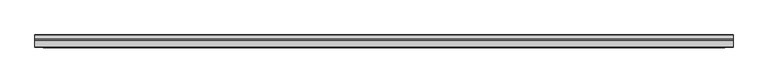
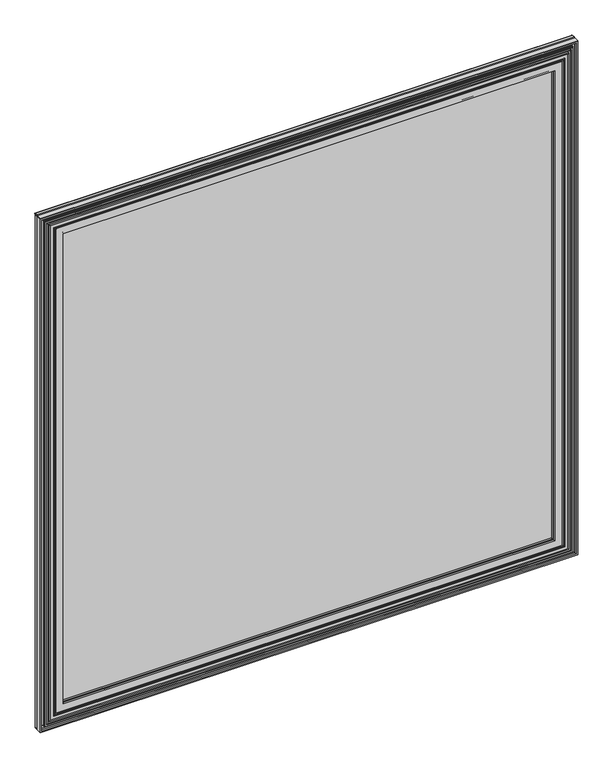
"""IFC4 building model written with IfcOpenShell, lengths in millimetres: proxy geometry."""

from ifc_helpers import new_model, si_unit, point, frame, frame_2d, origin, place, context, project, spatial, polyline, circle_curve, ellipse_curve, trimmed, segment, composite_curve, outline, extrude, source, transform, mapped, element, save
from ifc_brep_helpers import plane_surface, cylinder_surface, revolved_surface, advanced_brep


def specialty_equipment_6bc179ce(model_context):
    return source(origin(), model_context, "Body", "SolidModel", [
        advanced_brep(
        [(-600.7277862, 14.048841, 1152.652), (-600.7277862, 17.985841, 1152.652), (489.9752112, 17.985841, 1152.652), (489.9752112, 14.048841, 1152.652), (-601.9977862, 14.048841, 1153.922), (491.2452112, 14.048841, 1153.922), (-601.9977862, 15.064841, 1153.922), (491.2452112, 15.064841, 1153.922), (-603.7249862, 15.064841, 1155.6492), (492.9724112, 15.064841, 1155.6492), (-603.7249862, 8.841841, 1155.6492), (492.9724112, 8.841841, 1155.6492), (-601.9977862, 8.841841, 1153.922), (491.2452112, 8.841841, 1153.922), (-601.9977862, 9.857841, 1153.922), (491.2452112, 9.857841, 1153.922), (-600.7277862, 9.857841, 1152.652), (489.9752112, 9.857841, 1152.652), (-600.7277862, 6.555841, 1152.652), (489.9752112, 6.555841, 1152.652), (-618.9871314, 6.301841, 1170.9113452), (-617.1646705, 6.555841, 1169.0888843), (506.4120955, 6.555841, 1169.0888843), (508.2345564, 6.301841, 1170.9113452), (-620.6569985, 6.301841, 1172.5812124), (509.9044236, 6.301841, 1172.5812124), (-622.3909018, 6.555841, 1174.3151157), (511.6383268, 6.555841, 1174.3151157), (-631.9806514, 6.555841, 1183.9048653), (-629.5821862, 6.555841, 1181.5064), (518.8296112, 6.555841, 1181.5064), (521.2280764, 6.555841, 1183.9048653), (-637.1241514, 6.555841, 1189.0483653), (-635.6165209, 6.555841, 1187.5407347), (524.8639459, 6.555841, 1187.5407347), (526.3715764, 6.555841, 1189.0483653), (-640.7327862, 8.460841, 1192.657), (-640.7327862, 6.555841, 1192.657), (529.9802112, 6.555841, 1192.657), (529.9802112, 8.460841, 1192.657), (-642.0027862, 10.238841, 1193.927), (-642.0027862, 8.460841, 1193.927), (531.2502112, 8.460841, 1193.927), (531.2502112, 10.238841, 1193.927), (-640.7327862, 11.508841, 1192.657), (529.9802112, 11.508841, 1192.657), (-640.7327862, 13.337641, 1192.657), (529.9802112, 13.337641, 1192.657), (-643.0949862, 15.699841, 1195.0192), (532.3424112, 15.699841, 1195.0192), (-649.6227862, 11.534241, 1201.547), (-649.6227862, 15.699841, 1201.547), (538.8702112, 15.699841, 1201.547), (538.8702112, 11.534241, 1201.547), (-648.4797862, 10.391241, 1200.404), (537.7272112, 10.391241, 1200.404), (-648.4797862, 6.555841, 1200.404), (537.7272112, 6.555841, 1200.404), (-651.5277862, 17.985841, 1203.452), (-651.5277862, 6.555841, 1203.452), (540.7752112, 6.555841, 1203.452), (540.7752112, 17.985841, 1203.452), (489.9752112, 17.985841, 50.8), (489.9752112, 14.048841, 50.8), (491.2452112, 14.048841, 49.53), (491.2452112, 15.064841, 49.53), (492.9724112, 15.064841, 47.8028), (492.9724112, 8.841841, 47.8028), (491.2452112, 8.841841, 49.53), (491.2452112, 9.857841, 49.53), (489.9752112, 9.857841, 50.8), (489.9752112, 6.555841, 50.8), (506.4120955, 6.555841, 34.3631157), (508.2345564, 6.301841, 32.5406548), (509.9044236, 6.301841, 30.8707876), (511.6383268, 6.555841, 29.1368843), (518.8296112, 6.555841, 21.9456), (521.2280764, 6.555841, 19.5471347), (524.8639459, 6.555841, 15.9112653), (526.3715764, 6.555841, 14.4036347), (529.9802112, 6.555841, 10.795), (529.9802112, 8.460841, 10.795), (531.2502112, 8.460841, 9.525), (531.2502112, 10.238841, 9.525), (529.9802112, 11.508841, 10.795), (529.9802112, 13.337641, 10.795), (532.3424112, 15.699841, 8.4328), (538.8702112, 15.699841, 1.905), (538.8702112, 11.534241, 1.905), (537.7272112, 10.391241, 3.048), (537.7272112, 6.555841, 3.048), (540.7752112, 6.555841, 0.0), (540.7752112, 17.985841, 0.0), (-600.7277862, 17.985841, 50.8), (-600.7277862, 14.048841, 50.8), (-601.9977862, 14.048841, 49.53), (-601.9977862, 15.064841, 49.53), (-603.7249862, 15.064841, 47.8028), (-603.7249862, 8.841841, 47.8028), (-601.9977862, 8.841841, 49.53), (-601.9977862, 9.857841, 49.53), (-600.7277862, 9.857841, 50.8), (-600.7277862, 6.555841, 50.8), (-617.1646705, 6.555841, 34.3631157), (-618.9871314, 6.301841, 32.5406548), (-620.6569985, 6.301841, 30.8707876), (-622.3909018, 6.555841, 29.1368843), (-629.5821862, 6.555841, 21.9456), (-631.9806514, 6.555841, 19.5471347), (-635.6165209, 6.555841, 15.9112653), (-637.1241514, 6.555841, 14.4036347), (-640.7327862, 6.555841, 10.795), (-640.7327862, 8.460841, 10.795), (-642.0027862, 8.460841, 9.525), (-642.0027862, 10.238841, 9.525), (-640.7327862, 11.508841, 10.795), (-640.7327862, 13.337641, 10.795), (-643.0949862, 15.699841, 8.4328), (-649.6227862, 15.699841, 1.905), (-649.6227862, 11.534241, 1.905), (-648.4797862, 10.391241, 3.048), (-648.4797862, 6.555841, 3.048), (-651.5277862, 6.555841, 0.0), (-651.5277862, 17.985841, 0.0)],
        [
            (0, 1),
            (1, 2),
            (2, 3),
            (3, 0),
            (4, 0, ellipse_curve(frame((-601.3627862, 14.3870489, 1153.287), z_axis=(0.7071067811865475, 0.0, 0.7071067811865475), x_axis=(-0.7071067811865476, 0.0, 0.7071067811865474)), 1.0174572, 0.7194509)),
            (3, 5, ellipse_curve(frame((490.6102112, 14.3870489, 1153.287), z_axis=(-0.7071067811865475, 0.0, 0.7071067811865475), x_axis=(-0.7071067811865476, 0.0, -0.7071067811865474)), 1.0174572, 0.7194509)),
            (5, 4),
            (6, 4),
            (5, 7),
            (7, 6),
            (8, 6, ellipse_curve(frame((-602.8613862, 14.2765944, 1154.7856), z_axis=(-0.7071067811865475, 0.0, -0.7071067811865475), x_axis=(0.7071067811865476, 0.0, -0.7071067811865474)), 1.6535645, 1.1692467)),
            (7, 9, ellipse_curve(frame((492.1088112, 14.2765944, 1154.7856), z_axis=(0.7071067811865475, 0.0, -0.7071067811865475), x_axis=(0.7071067811865476, 0.0, 0.7071067811865474)), 1.6535645, 1.1692467)),
            (9, 8),
            (10, 8),
            (9, 11),
            (11, 10),
            (12, 10, ellipse_curve(frame((-602.8613862, 9.6300877, 1154.7856), z_axis=(-0.7071067811865475, 0.0, -0.7071067811865475), x_axis=(0.7071067811865476, 0.0, -0.7071067811865474)), 1.6535645, 1.1692467)),
            (11, 13, ellipse_curve(frame((492.1088112, 9.6300877, 1154.7856), z_axis=(0.7071067811865475, 0.0, -0.7071067811865475), x_axis=(0.7071067811865476, 0.0, 0.7071067811865474)), 1.6535645, 1.1692467)),
            (13, 12),
            (14, 12),
            (13, 15),
            (15, 14),
            (16, 14, ellipse_curve(frame((-601.3627862, 9.5196331, 1153.287), z_axis=(0.7071067811865475, 0.0, 0.7071067811865475), x_axis=(-0.7071067811865476, 0.0, 0.7071067811865474)), 1.0174572, 0.7194509)),
            (15, 17, ellipse_curve(frame((490.6102112, 9.5196331, 1153.287), z_axis=(-0.7071067811865475, 0.0, 0.7071067811865475), x_axis=(-0.7071067811865476, 0.0, -0.7071067811865474)), 1.0174572, 0.7194509)),
            (17, 16),
            (18, 16),
            (17, 19),
            (19, 18),
            (20, 21, ellipse_curve(frame((-618.1359015, 6.8593479, 1170.0601154), z_axis=(0.7071067811865475, 0.0, 0.7071067811865475), x_axis=(-0.7071067811865476, 0.0, 0.7071067811865474)), 1.4390317, 1.0175491)),
            (21, 22),
            (22, 23, ellipse_curve(frame((507.3833265, 6.8593479, 1170.0601154), z_axis=(-0.7071067811865475, 0.0, 0.7071067811865475), x_axis=(-0.7071067811865476, 0.0, -0.7071067811865474)), 1.4390317, 1.0175491)),
            (23, 20),
            (24, 20, ellipse_curve(frame((-619.8220649, 5.5425206, 1171.7462788), z_axis=(-0.7071067811865475, 0.0, -0.7071067811865475), x_axis=(0.7071067811865476, 0.0, -0.7071067811865474)), 1.5960461, 1.128575)),
            (23, 25, ellipse_curve(frame((509.06949, 5.5425206, 1171.7462788), z_axis=(0.7071067811865475, 0.0, -0.7071067811865475), x_axis=(0.7071067811865476, 0.0, 0.7071067811865474)), 1.5960461, 1.128575)),
            (25, 24),
            (26, 24, ellipse_curve(frame((-621.465344, 6.8289098, 1173.3895578), z_axis=(0.7071067811865475, 0.0, 0.7071067811865475), x_axis=(-0.7071067811865476, 0.0, 0.7071067811865474)), 1.3647152, 0.9649994)),
            (25, 27, ellipse_curve(frame((510.712769, 6.8289098, 1173.3895578), z_axis=(-0.7071067811865475, 0.0, 0.7071067811865475), x_axis=(-0.7071067811865476, 0.0, -0.7071067811865474)), 1.3647152, 0.9649994)),
            (27, 26),
            (28, 29, ellipse_curve(frame((-630.7814188, 7.2491777, 1182.7056326), z_axis=(0.7071067811865475, 0.0, 0.7071067811865475), x_axis=(-0.7071067811865476, 0.0, 0.7071067811865474)), 1.9590174, 1.3852345)),
            (29, 30),
            (30, 31, ellipse_curve(frame((520.0288438, 7.2491777, 1182.7056326), z_axis=(-0.7071067811865475, 0.0, 0.7071067811865475), x_axis=(-0.7071067811865476, 0.0, -0.7071067811865474)), 1.9590174, 1.3852345)),
            (31, 28),
            (32, 33, ellipse_curve(frame((-636.3703362, 6.555841, 1188.29455), z_axis=(0.7071067811865475, 0.0, 0.7071067811865475), x_axis=(-0.7071067811865476, 0.0, 0.7071067811865474)), 1.0660558, 0.7538153)),
            (33, 34),
            (34, 35, ellipse_curve(frame((525.6177612, 6.555841, 1188.29455), z_axis=(-0.7071067811865475, 0.0, 0.7071067811865475), x_axis=(-0.7071067811865476, 0.0, -0.7071067811865474)), 1.0660558, 0.7538153)),
            (35, 32),
            (36, 37),
            (37, 38),
            (38, 39),
            (39, 36),
            (40, 41),
            (41, 42),
            (42, 43),
            (43, 40),
            (44, 40),
            (43, 45),
            (45, 44),
            (46, 44),
            (45, 47),
            (47, 46),
            (48, 46),
            (47, 49),
            (49, 48),
            (50, 51),
            (51, 52),
            (52, 53),
            (53, 50),
            (54, 50),
            (53, 55),
            (55, 54),
            (56, 54),
            (55, 57),
            (57, 56),
            (58, 59),
            (59, 60),
            (60, 61),
            (61, 58),
            (2, 62),
            (62, 63),
            (63, 3),
            (63, 64, ellipse_curve(frame((490.6102112, 14.3870489, 50.165), z_axis=(0.7071067811865475, 0.0, 0.7071067811865475), x_axis=(-0.7071067811865474, 0.0, 0.7071067811865476)), 1.0174572, 0.7194509)),
            (64, 5),
            (64, 65),
            (65, 7),
            (65, 66, ellipse_curve(frame((492.1088112, 14.2765944, 48.6664), z_axis=(-0.7071067811865475, 0.0, -0.7071067811865475), x_axis=(0.7071067811865474, 0.0, -0.7071067811865476)), 1.6535645, 1.1692467)),
            (66, 9),
            (66, 67),
            (67, 11),
            (67, 68, ellipse_curve(frame((492.1088112, 9.6300877, 48.6664), z_axis=(-0.7071067811865475, 0.0, -0.7071067811865475), x_axis=(0.7071067811865474, 0.0, -0.7071067811865476)), 1.6535645, 1.1692467)),
            (68, 13),
            (68, 69),
            (69, 15),
            (69, 70, ellipse_curve(frame((490.6102112, 9.5196331, 50.165), z_axis=(0.7071067811865475, 0.0, 0.7071067811865475), x_axis=(-0.7071067811865474, 0.0, 0.7071067811865476)), 1.0174572, 0.7194509)),
            (70, 17),
            (70, 71),
            (71, 19),
            (22, 72),
            (72, 73, ellipse_curve(frame((507.3833265, 6.8593479, 33.3918846), z_axis=(0.7071067811865475, 0.0, 0.7071067811865475), x_axis=(-0.7071067811865474, 0.0, 0.7071067811865476)), 1.4390317, 1.0175491)),
            (73, 23),
            (73, 74, ellipse_curve(frame((509.06949, 5.5425206, 31.7057212), z_axis=(-0.7071067811865475, 0.0, -0.7071067811865475), x_axis=(0.7071067811865474, 0.0, -0.7071067811865476)), 1.5960461, 1.128575)),
            (74, 25),
            (74, 75, ellipse_curve(frame((510.712769, 6.8289098, 30.0624422), z_axis=(0.7071067811865475, 0.0, 0.7071067811865475), x_axis=(-0.7071067811865474, 0.0, 0.7071067811865476)), 1.3647152, 0.9649994)),
            (75, 27),
            (30, 76),
            (76, 77, ellipse_curve(frame((520.0288438, 7.2491777, 20.7463674), z_axis=(0.7071067811865475, 0.0, 0.7071067811865475), x_axis=(-0.7071067811865474, 0.0, 0.7071067811865476)), 1.9590174, 1.3852345)),
            (77, 31),
            (34, 78),
            (78, 79, ellipse_curve(frame((525.6177612, 6.555841, 15.15745), z_axis=(0.7071067811865475, 0.0, 0.7071067811865475), x_axis=(-0.7071067811865474, 0.0, 0.7071067811865476)), 1.0660558, 0.7538153)),
            (79, 35),
            (38, 80),
            (80, 81),
            (81, 39),
            (42, 82),
            (82, 83),
            (83, 43),
            (83, 84),
            (84, 45),
            (84, 85),
            (85, 47),
            (85, 86),
            (86, 49),
            (52, 87),
            (87, 88),
            (88, 53),
            (88, 89),
            (89, 55),
            (89, 90),
            (90, 57),
            (60, 91),
            (91, 92),
            (92, 61),
            (62, 93),
            (93, 94),
            (94, 63),
            (94, 95, ellipse_curve(frame((-601.3627862, 14.3870489, 50.165), z_axis=(0.7071067811865475, 0.0, -0.7071067811865475), x_axis=(0.7071067811865476, 0.0, 0.7071067811865474)), 1.0174572, 0.7194509)),
            (95, 64),
            (95, 96),
            (96, 65),
            (96, 97, ellipse_curve(frame((-602.8613862, 14.2765944, 48.6664), z_axis=(-0.7071067811865475, 0.0, 0.7071067811865475), x_axis=(-0.7071067811865476, 0.0, -0.7071067811865474)), 1.6535645, 1.1692467)),
            (97, 66),
            (97, 98),
            (98, 67),
            (98, 99, ellipse_curve(frame((-602.8613862, 9.6300877, 48.6664), z_axis=(-0.7071067811865475, 0.0, 0.7071067811865475), x_axis=(-0.7071067811865476, 0.0, -0.7071067811865474)), 1.6535645, 1.1692467)),
            (99, 68),
            (99, 100),
            (100, 69),
            (100, 101, ellipse_curve(frame((-601.3627862, 9.5196331, 50.165), z_axis=(0.7071067811865475, 0.0, -0.7071067811865475), x_axis=(0.7071067811865476, 0.0, 0.7071067811865474)), 1.0174572, 0.7194509)),
            (101, 70),
            (101, 102),
            (102, 71),
            (72, 103),
            (103, 104, ellipse_curve(frame((-618.1359015, 6.8593479, 33.3918846), z_axis=(0.7071067811865475, 0.0, -0.7071067811865475), x_axis=(0.7071067811865476, 0.0, 0.7071067811865474)), 1.4390317, 1.0175491)),
            (104, 73),
            (104, 105, ellipse_curve(frame((-619.8220649, 5.5425206, 31.7057212), z_axis=(-0.7071067811865475, 0.0, 0.7071067811865475), x_axis=(-0.7071067811865476, 0.0, -0.7071067811865474)), 1.5960461, 1.128575)),
            (105, 74),
            (105, 106, ellipse_curve(frame((-621.465344, 6.8289098, 30.0624422), z_axis=(0.7071067811865475, 0.0, -0.7071067811865475), x_axis=(0.7071067811865476, 0.0, 0.7071067811865474)), 1.3647152, 0.9649994)),
            (106, 75),
            (76, 107),
            (107, 108, ellipse_curve(frame((-630.7814188, 7.2491777, 20.7463674), z_axis=(0.7071067811865475, 0.0, -0.7071067811865475), x_axis=(0.7071067811865476, 0.0, 0.7071067811865474)), 1.9590174, 1.3852345)),
            (108, 77),
            (78, 109),
            (109, 110, ellipse_curve(frame((-636.3703362, 6.555841, 15.15745), z_axis=(0.7071067811865475, 0.0, -0.7071067811865475), x_axis=(0.7071067811865476, 0.0, 0.7071067811865474)), 1.0660558, 0.7538153)),
            (110, 79),
            (80, 111),
            (111, 112),
            (112, 81),
            (82, 113),
            (113, 114),
            (114, 83),
            (114, 115),
            (115, 84),
            (115, 116),
            (116, 85),
            (116, 117),
            (117, 86),
            (87, 118),
            (118, 119),
            (119, 88),
            (119, 120),
            (120, 89),
            (120, 121),
            (121, 90),
            (91, 122),
            (122, 123),
            (123, 92),
            (93, 1),
            (0, 94),
            (4, 95),
            (6, 96),
            (8, 97),
            (10, 98),
            (12, 99),
            (14, 100),
            (16, 101),
            (18, 102),
            (21, 103),
            (20, 104),
            (24, 105),
            (26, 106),
            (29, 107),
            (28, 108),
            (33, 109),
            (32, 110),
            (37, 111),
            (36, 112),
            (41, 113),
            (40, 114),
            (44, 115),
            (46, 116),
            (48, 117),
            (51, 118),
            (50, 119),
            (54, 120),
            (56, 121),
            (59, 122),
            (58, 123),
        ],
        [
            plane_surface(frame((-600.7277862, 17.985841, 1152.652), z_axis=(0.0, 0.0, -1.0), x_axis=(1.0, 0.0, 0.0))),
            cylinder_surface(frame((-600.7277862, 14.3870489, 1153.287), z_axis=(-1.0, 0.0, 0.0), x_axis=(0.0, 0.0, 1.0)), 0.7194509),
            plane_surface(frame((-601.9977862, 14.048841, 1153.922), z_axis=(0.0, 0.0, 1.0), x_axis=(1.0, 0.0, 0.0))),
            revolved_surface(polyline([(493.2780578710791, 14.2765944, 1155.9548467), (-604.0306328710793, 14.2765944, 1155.9548467)]), (-600.7277862, 14.2765944, 1154.7856), (1.0, 0.0, 0.0)),
            plane_surface(frame((-603.7249862, 15.064841, 1155.6492), z_axis=(0.0, 0.0, -1.0), x_axis=(1.0, 0.0, 0.0))),
            revolved_surface(polyline([(493.2780578710791, 9.6300877, 1155.9548467), (-604.0306328710793, 9.6300877, 1155.9548467)]), (-600.7277862, 9.6300877, 1154.7856), (1.0, 0.0, 0.0)),
            plane_surface(frame((-601.9977862, 8.841841, 1153.922), z_axis=(0.0, 0.0, 1.0), x_axis=(1.0, 0.0, 0.0))),
            cylinder_surface(frame((-600.7277862, 9.5196331, 1153.287), z_axis=(-1.0, 0.0, 0.0), x_axis=(0.0, 0.0, 1.0)), 0.7194509),
            plane_surface(frame((-600.7277862, 9.857841, 1152.652), z_axis=(0.0, 0.0, -1.0), x_axis=(1.0, 0.0, 0.0))),
            cylinder_surface(frame((-600.7277862, 6.8593479, 1170.0601154), z_axis=(-1.0, 0.0, 0.0), x_axis=(0.0, 0.0, 1.0)), 1.0175491),
            revolved_surface(polyline([(510.19806502039626, 5.5425206, 1172.8748538), (-620.9506399203964, 5.5425206, 1172.8748538)]), (-600.7277862, 5.5425206, 1171.7462788), (1.0, 0.0, 0.0)),
            cylinder_surface(frame((-600.7277862, 6.8289098, 1173.3895578), z_axis=(-1.0, 0.0, 0.0), x_axis=(0.0, 0.0, 1.0)), 0.9649994),
            cylinder_surface(frame((-600.7277862, 7.2491777, 1182.7056326), z_axis=(-1.0, 0.0, 0.0), x_axis=(0.0, 0.0, 1.0)), 1.3852345),
            cylinder_surface(frame((-600.7277862, 6.555841, 1188.29455), z_axis=(-1.0, 0.0, 0.0), x_axis=(0.0, 0.0, 1.0)), 0.7538153),
            plane_surface(frame((-640.7327862, 6.555841, 1192.657), z_axis=(0.0, 0.0, 1.0), x_axis=(1.0, 0.0, 0.0))),
            plane_surface(frame((-642.0027862, 8.460841, 1193.927), z_axis=(0.0, 0.0, 1.0), x_axis=(1.0, 0.0, 0.0))),
            plane_surface(frame((-642.0027862, 10.238841, 1193.927), z_axis=(0.0, 0.7071067811865466, 0.7071067811865485), x_axis=(1.0, 0.0, 0.0))),
            plane_surface(frame((-640.7327862, 11.508841, 1192.657), z_axis=(0.0, 0.0, 1.0), x_axis=(1.0, 0.0, 0.0))),
            plane_surface(frame((-640.7327862, 13.337641, 1192.657), z_axis=(0.0, -0.7071067811865649, 0.7071067811865301), x_axis=(1.0, 0.0, 0.0))),
            plane_surface(frame((-649.6227862, 15.699841, 1201.547), z_axis=(0.0, 0.0, -1.0), x_axis=(1.0, 0.0, 0.0))),
            plane_surface(frame((-649.6227862, 11.534241, 1201.547), z_axis=(0.0, 0.7071067811865547, -0.7071067811865404), x_axis=(1.0, 0.0, 0.0))),
            plane_surface(frame((-648.4797862, 10.391241, 1200.404), z_axis=(0.0, 0.0, -1.0), x_axis=(1.0, 0.0, 0.0))),
            plane_surface(frame((-651.5277862, 6.555841, 1203.452), z_axis=(0.0, 0.0, 1.0), x_axis=(1.0, 0.0, 0.0))),
            plane_surface(frame((489.9752112, 17.985841, 1152.652), z_axis=(-1.0, 0.0, 0.0), x_axis=(0.0, 0.0, -1.0))),
            cylinder_surface(frame((490.6102112, 14.3870489, 1152.652), z_axis=(0.0, 0.0, 1.0), x_axis=(1.0, 0.0, 0.0)), 0.7194509),
            plane_surface(frame((491.2452112, 14.048841, 1153.922), z_axis=(1.0, 0.0, 0.0), x_axis=(0.0, 0.0, -1.0))),
            revolved_surface(polyline([(493.27805789999996, 14.2765944, 47.49715332892083), (493.27805789999996, 14.2765944, 1155.9548466710792)]), (492.1088112, 14.2765944, 1152.652), (0.0, 0.0, -1.0)),
            plane_surface(frame((492.9724112, 15.064841, 1155.6492), z_axis=(-1.0, 0.0, 0.0), x_axis=(0.0, 0.0, -1.0))),
            revolved_surface(polyline([(493.27805789999996, 9.6300877, 47.49715332892083), (493.27805789999996, 9.6300877, 1155.9548466710792)]), (492.1088112, 9.6300877, 1152.652), (0.0, 0.0, -1.0)),
            plane_surface(frame((491.2452112, 8.841841, 1153.922), z_axis=(1.0, 0.0, 0.0), x_axis=(0.0, 0.0, -1.0))),
            cylinder_surface(frame((490.6102112, 9.5196331, 1152.652), z_axis=(0.0, 0.0, 1.0), x_axis=(1.0, 0.0, 0.0)), 0.7194509),
            plane_surface(frame((489.9752112, 9.857841, 1152.652), z_axis=(-1.0, 0.0, 0.0), x_axis=(0.0, 0.0, -1.0))),
            cylinder_surface(frame((507.3833265, 6.8593479, 1152.652), z_axis=(0.0, 0.0, 1.0), x_axis=(1.0, 0.0, 0.0)), 1.0175491),
            revolved_surface(polyline([(510.198065, 5.5425206, 30.577146179603687), (510.198065, 5.5425206, 1172.8748538203963)]), (509.06949, 5.5425206, 1152.652), (0.0, 0.0, -1.0)),
            cylinder_surface(frame((510.712769, 6.8289098, 1152.652), z_axis=(0.0, 0.0, 1.0), x_axis=(1.0, 0.0, 0.0)), 0.9649994),
            cylinder_surface(frame((520.0288438, 7.2491777, 1152.652), z_axis=(0.0, 0.0, 1.0), x_axis=(1.0, 0.0, 0.0)), 1.3852345),
            cylinder_surface(frame((525.6177612, 6.555841, 1152.652), z_axis=(0.0, 0.0, 1.0), x_axis=(1.0, 0.0, 0.0)), 0.7538153),
            plane_surface(frame((529.9802112, 6.555841, 1192.657), z_axis=(1.0, 0.0, 0.0), x_axis=(0.0, 0.0, -1.0))),
            plane_surface(frame((531.2502112, 8.460841, 1193.927), z_axis=(1.0, 0.0, 0.0), x_axis=(0.0, 0.0, -1.0))),
            plane_surface(frame((531.2502112, 10.238841, 1193.927), z_axis=(0.7071067811865387, 0.7071067811865563, 0.0), x_axis=(0.0, 0.0, -1.0))),
            plane_surface(frame((529.9802112, 11.508841, 1192.657), z_axis=(1.0, 0.0, 0.0), x_axis=(0.0, 0.0, -1.0))),
            plane_surface(frame((529.9802112, 13.337641, 1192.657), z_axis=(0.7071067811865399, -0.7071067811865551, 0.0), x_axis=(0.0, 0.0, -1.0))),
            plane_surface(frame((538.8702112, 15.699841, 1201.547), z_axis=(-1.0, 0.0, 0.0), x_axis=(0.0, 0.0, -1.0))),
            plane_surface(frame((538.8702112, 11.534241, 1201.547), z_axis=(-0.7071067811865501, 0.7071067811865449, 0.0), x_axis=(0.0, 0.0, -1.0))),
            plane_surface(frame((537.7272112, 10.391241, 1200.404), z_axis=(-1.0, 0.0, 0.0), x_axis=(0.0, 0.0, -1.0))),
            plane_surface(frame((540.7752112, 6.555841, 1203.452), z_axis=(1.0, 0.0, 0.0), x_axis=(0.0, 0.0, -1.0))),
            plane_surface(frame((489.9752112, 17.985841, 50.8), z_axis=(0.0, 0.0, 1.0), x_axis=(-1.0, 0.0, 0.0))),
            cylinder_surface(frame((489.9752112, 14.3870489, 50.165), z_axis=(1.0, 0.0, 0.0), x_axis=(0.0, 0.0, -1.0)), 0.7194509),
            plane_surface(frame((491.2452112, 14.048841, 49.53), z_axis=(0.0, 0.0, -1.0), x_axis=(-1.0, 0.0, 0.0))),
            revolved_surface(polyline([(-604.0306328710791, 14.2765944, 47.4971533), (493.27805787107934, 14.2765944, 47.4971533)]), (489.9752112, 14.2765944, 48.6664), (-1.0, 0.0, 0.0)),
            plane_surface(frame((492.9724112, 15.064841, 47.8028), z_axis=(0.0, 0.0, 1.0), x_axis=(-1.0, 0.0, 0.0))),
            revolved_surface(polyline([(-604.0306328710791, 9.6300877, 47.4971533), (493.27805787107934, 9.6300877, 47.4971533)]), (489.9752112, 9.6300877, 48.6664), (-1.0, 0.0, 0.0)),
            plane_surface(frame((491.2452112, 8.841841, 49.53), z_axis=(0.0, 0.0, -1.0), x_axis=(-1.0, 0.0, 0.0))),
            cylinder_surface(frame((489.9752112, 9.5196331, 50.165), z_axis=(1.0, 0.0, 0.0), x_axis=(0.0, 0.0, -1.0)), 0.7194509),
            plane_surface(frame((489.9752112, 9.857841, 50.8), z_axis=(0.0, 0.0, 1.0), x_axis=(-1.0, 0.0, 0.0))),
            cylinder_surface(frame((489.9752112, 6.8593479, 33.3918846), z_axis=(1.0, 0.0, 0.0), x_axis=(0.0, 0.0, -1.0)), 1.0175491),
            revolved_surface(polyline([(-620.9506399203964, 5.5425206, 30.577146199999998), (510.1980650203963, 5.5425206, 30.577146199999998)]), (489.9752112, 5.5425206, 31.7057212), (-1.0, 0.0, 0.0)),
            cylinder_surface(frame((489.9752112, 6.8289098, 30.0624422), z_axis=(1.0, 0.0, 0.0), x_axis=(0.0, 0.0, -1.0)), 0.9649994),
            cylinder_surface(frame((489.9752112, 7.2491777, 20.7463674), z_axis=(1.0, 0.0, 0.0), x_axis=(0.0, 0.0, -1.0)), 1.3852345),
            cylinder_surface(frame((489.9752112, 6.555841, 15.15745), z_axis=(1.0, 0.0, 0.0), x_axis=(0.0, 0.0, -1.0)), 0.7538153),
            plane_surface(frame((529.9802112, 6.555841, 10.795), z_axis=(0.0, 0.0, -1.0), x_axis=(-1.0, 0.0, 0.0))),
            plane_surface(frame((531.2502112, 8.460841, 9.525), z_axis=(0.0, 0.0, -1.0), x_axis=(-1.0, 0.0, 0.0))),
            plane_surface(frame((531.2502112, 10.238841, 9.525), z_axis=(0.0, 0.7071067811865661, -0.7071067811865289), x_axis=(-1.0, 0.0, 0.0))),
            plane_surface(frame((529.9802112, 11.508841, 10.795), z_axis=(0.0, 0.0, -1.0), x_axis=(-1.0, 0.0, 0.0))),
            plane_surface(frame((529.9802112, 13.337641, 10.795), z_axis=(0.0, -0.7071067811865454, -0.7071067811865497), x_axis=(-1.0, 0.0, 0.0))),
            plane_surface(frame((538.8702112, 15.699841, 1.905), z_axis=(0.0, 0.0, 1.0), x_axis=(-1.0, 0.0, 0.0))),
            plane_surface(frame((538.8702112, 11.534241, 1.905), z_axis=(0.0, 0.7071067811865351, 0.7071067811865599), x_axis=(-1.0, 0.0, 0.0))),
            plane_surface(frame((537.7272112, 10.391241, 3.048), z_axis=(0.0, 0.0, 1.0), x_axis=(-1.0, 0.0, 0.0))),
            plane_surface(frame((540.7752112, 6.555841, 0.0), z_axis=(0.0, 0.0, -1.0), x_axis=(-1.0, 0.0, 0.0))),
            plane_surface(frame((-600.7277862, 17.985841, 50.8), z_axis=(1.0, 0.0, 0.0), x_axis=(0.0, 0.0, 1.0))),
            cylinder_surface(frame((-601.3627862, 14.3870489, 50.8), z_axis=(0.0, 0.0, -1.0), x_axis=(-1.0, 0.0, 0.0)), 0.7194509),
            plane_surface(frame((-601.9977862, 14.048841, 49.53), z_axis=(-1.0, 0.0, 0.0), x_axis=(0.0, 0.0, 1.0))),
            revolved_surface(polyline([(-604.0306329, 14.2765944, 1155.9548466710792), (-604.0306329, 14.2765944, 47.49715332892066)]), (-602.8613862, 14.2765944, 50.8), (0.0, 0.0, 1.0)),
            plane_surface(frame((-603.7249862, 15.064841, 47.8028), z_axis=(1.0, 0.0, 0.0), x_axis=(0.0, 0.0, 1.0))),
            revolved_surface(polyline([(-604.0306329, 9.6300877, 1155.9548466710792), (-604.0306329, 9.6300877, 47.49715332892066)]), (-602.8613862, 9.6300877, 50.8), (0.0, 0.0, 1.0)),
            plane_surface(frame((-601.9977862, 8.841841, 49.53), z_axis=(-1.0, 0.0, 0.0), x_axis=(0.0, 0.0, 1.0))),
            cylinder_surface(frame((-601.3627862, 9.5196331, 50.8), z_axis=(0.0, 0.0, -1.0), x_axis=(-1.0, 0.0, 0.0)), 0.7194509),
            plane_surface(frame((-600.7277862, 9.857841, 50.8), z_axis=(1.0, 0.0, 0.0), x_axis=(0.0, 0.0, 1.0))),
            plane_surface(frame((-600.7277862, 6.555841, 50.8), z_axis=(0.0, -1.0, 0.0), x_axis=(0.0, 0.0, 1.0))),
            cylinder_surface(frame((-618.1359015, 6.8593479, 50.8), z_axis=(0.0, 0.0, -1.0), x_axis=(-1.0, 0.0, 0.0)), 1.0175491),
            revolved_surface(polyline([(-620.9506398999999, 5.5425206, 1172.8748538203963), (-620.9506398999999, 5.5425206, 30.577146179603655)]), (-619.8220649, 5.5425206, 50.8), (0.0, 0.0, 1.0)),
            cylinder_surface(frame((-621.465344, 6.8289098, 50.8), z_axis=(0.0, 0.0, -1.0), x_axis=(-1.0, 0.0, 0.0)), 0.9649994),
            plane_surface(frame((-622.3909018, 6.555841, 29.1368843), z_axis=(0.0, -1.0, 0.0), x_axis=(0.0, 0.0, 1.0))),
            cylinder_surface(frame((-630.7814188, 7.2491777, 50.8), z_axis=(0.0, 0.0, -1.0), x_axis=(-1.0, 0.0, 0.0)), 1.3852345),
            plane_surface(frame((-631.9806514, 6.555841, 19.5471347), z_axis=(0.0, -1.0, 0.0), x_axis=(0.0, 0.0, 1.0))),
            cylinder_surface(frame((-636.3703362, 6.555841, 50.8), z_axis=(0.0, 0.0, -1.0), x_axis=(-1.0, 0.0, 0.0)), 0.7538153),
            plane_surface(frame((-637.1241514, 6.555841, 14.4036347), z_axis=(0.0, -1.0, 0.0), x_axis=(0.0, 0.0, 1.0))),
            plane_surface(frame((-640.7327862, 6.555841, 10.795), z_axis=(-1.0, 0.0, 0.0), x_axis=(0.0, 0.0, 1.0))),
            plane_surface(frame((-640.7327862, 8.460841, 10.795), z_axis=(0.0, -1.0, 0.0), x_axis=(0.0, 0.0, 1.0))),
            plane_surface(frame((-642.0027862, 8.460841, 9.525), z_axis=(-1.0, 0.0, 0.0), x_axis=(0.0, 0.0, 1.0))),
            plane_surface(frame((-642.0027862, 10.238841, 9.525), z_axis=(-0.7071067811865387, 0.7071067811865563, 0.0), x_axis=(0.0, 0.0, 1.0))),
            plane_surface(frame((-640.7327862, 11.508841, 10.795), z_axis=(-1.0, 0.0, 0.0), x_axis=(0.0, 0.0, 1.0))),
            plane_surface(frame((-640.7327862, 13.337641, 10.795), z_axis=(-0.7071067811865399, -0.7071067811865551, 0.0), x_axis=(0.0, 0.0, 1.0))),
            plane_surface(frame((-643.0949862, 15.699841, 8.4328), z_axis=(0.0, -1.0, 0.0), x_axis=(0.0, 0.0, 1.0))),
            plane_surface(frame((-649.6227862, 15.699841, 1.905), z_axis=(1.0, 0.0, 0.0), x_axis=(0.0, 0.0, 1.0))),
            plane_surface(frame((-649.6227862, 11.534241, 1.905), z_axis=(0.7071067811865501, 0.7071067811865449, 0.0), x_axis=(0.0, 0.0, 1.0))),
            plane_surface(frame((-648.4797862, 10.391241, 3.048), z_axis=(1.0, 0.0, 0.0), x_axis=(0.0, 0.0, 1.0))),
            plane_surface(frame((-648.4797862, 6.555841, 3.048), z_axis=(0.0, -1.0, 0.0), x_axis=(0.0, 0.0, 1.0))),
            plane_surface(frame((-651.5277862, 6.555841, 0.0), z_axis=(-1.0, 0.0, 0.0), x_axis=(0.0, 0.0, 1.0))),
            plane_surface(frame((-651.5277862, 17.985841, 0.0), z_axis=(0.0, 1.0, 0.0), x_axis=(0.0, 0.0, 1.0))),
        ],
        [
            (0, [[1, 2, 3, 4]]),
            (1, [[5, -4, 6, 7]]),
            (2, [[8, -7, 9, 10]]),
            (3, [[11, -10, 12, 13]]),
            (4, [[14, -13, 15, 16]]),
            (5, [[17, -16, 18, 19]]),
            (6, [[20, -19, 21, 22]]),
            (7, [[23, -22, 24, 25]]),
            (8, [[26, -25, 27, 28]]),
            (9, [[29, 30, 31, 32]]),
            (10, [[33, -32, 34, 35]]),
            (11, [[36, -35, 37, 38]]),
            (12, [[39, 40, 41, 42]]),
            (13, [[43, 44, 45, 46]]),
            (14, [[47, 48, 49, 50]]),
            (15, [[51, 52, 53, 54]]),
            (16, [[55, -54, 56, 57]]),
            (17, [[58, -57, 59, 60]]),
            (18, [[61, -60, 62, 63]]),
            (19, [[64, 65, 66, 67]]),
            (20, [[68, -67, 69, 70]]),
            (21, [[71, -70, 72, 73]]),
            (22, [[74, 75, 76, 77]]),
            (23, [[-3, 78, 79, 80]]),
            (24, [[-6, -80, 81, 82]]),
            (25, [[-9, -82, 83, 84]]),
            (26, [[-12, -84, 85, 86]]),
            (27, [[-15, -86, 87, 88]]),
            (28, [[-18, -88, 89, 90]]),
            (29, [[-21, -90, 91, 92]]),
            (30, [[-24, -92, 93, 94]]),
            (31, [[-27, -94, 95, 96]]),
            (32, [[-31, 97, 98, 99]]),
            (33, [[-34, -99, 100, 101]]),
            (34, [[-37, -101, 102, 103]]),
            (35, [[-41, 104, 105, 106]]),
            (36, [[-45, 107, 108, 109]]),
            (37, [[-49, 110, 111, 112]]),
            (38, [[-53, 113, 114, 115]]),
            (39, [[-56, -115, 116, 117]]),
            (40, [[-59, -117, 118, 119]]),
            (41, [[-62, -119, 120, 121]]),
            (42, [[-66, 122, 123, 124]]),
            (43, [[-69, -124, 125, 126]]),
            (44, [[-72, -126, 127, 128]]),
            (45, [[-76, 129, 130, 131]]),
            (46, [[-79, 132, 133, 134]]),
            (47, [[-81, -134, 135, 136]]),
            (48, [[-83, -136, 137, 138]]),
            (49, [[-85, -138, 139, 140]]),
            (50, [[-87, -140, 141, 142]]),
            (51, [[-89, -142, 143, 144]]),
            (52, [[-91, -144, 145, 146]]),
            (53, [[-93, -146, 147, 148]]),
            (54, [[-95, -148, 149, 150]]),
            (55, [[-98, 151, 152, 153]]),
            (56, [[-100, -153, 154, 155]]),
            (57, [[-102, -155, 156, 157]]),
            (58, [[-105, 158, 159, 160]]),
            (59, [[-108, 161, 162, 163]]),
            (60, [[-111, 164, 165, 166]]),
            (61, [[-114, 167, 168, 169]]),
            (62, [[-116, -169, 170, 171]]),
            (63, [[-118, -171, 172, 173]]),
            (64, [[-120, -173, 174, 175]]),
            (65, [[-123, 176, 177, 178]]),
            (66, [[-125, -178, 179, 180]]),
            (67, [[-127, -180, 181, 182]]),
            (68, [[-130, 183, 184, 185]]),
            (69, [[-133, 186, -1, 187]]),
            (70, [[-135, -187, -5, 188]]),
            (71, [[-137, -188, -8, 189]]),
            (72, [[-139, -189, -11, 190]]),
            (73, [[-141, -190, -14, 191]]),
            (74, [[-143, -191, -17, 192]]),
            (75, [[-145, -192, -20, 193]]),
            (76, [[-147, -193, -23, 194]]),
            (77, [[-149, -194, -26, 195]]),
            (78, [[196, -151, -97, -30], [-96, -150, -195, -28]]),
            (79, [[-152, -196, -29, 197]]),
            (80, [[-154, -197, -33, 198]]),
            (81, [[-156, -198, -36, 199]]),
            (82, [[200, -158, -104, -40], [-103, -157, -199, -38]]),
            (83, [[-159, -200, -39, 201]]),
            (84, [[202, -161, -107, -44], [-106, -160, -201, -42]]),
            (85, [[-162, -202, -43, 203]]),
            (86, [[204, -164, -110, -48], [-109, -163, -203, -46]]),
            (87, [[-165, -204, -47, 205]]),
            (88, [[206, -167, -113, -52], [-112, -166, -205, -50]]),
            (89, [[-168, -206, -51, 207]]),
            (90, [[-170, -207, -55, 208]]),
            (91, [[-172, -208, -58, 209]]),
            (92, [[-174, -209, -61, 210]]),
            (93, [[211, -176, -122, -65], [-121, -175, -210, -63]]),
            (94, [[-177, -211, -64, 212]]),
            (95, [[-179, -212, -68, 213]]),
            (96, [[-181, -213, -71, 214]]),
            (97, [[215, -183, -129, -75], [-128, -182, -214, -73]]),
            (98, [[-184, -215, -74, 216]]),
            (99, [[-131, -185, -216, -77], [-186, -132, -78, -2]]),
        ],
    ),
        extrude(outline(composite_curve([segment(polyline([(22.621341, 0.0), (17.0677105, 0.0), (17.0677105, 3.2341305), (19.285841, 1.016), (24.0169797, 1.016)]), True, "CONTINUOUS"), segment(trimmed(circle_curve(frame_2d((24.0169797, 0.6661362)), 0.3498638), [point((24.0169797, 1.016))], [point((24.0923437, 0.3244859))], False, "CARTESIAN"), True, "CONTINUOUS"), segment(polyline([(24.0923437, 0.3244859), (22.621341, 0.0)]), True, "CONTINUOUS")], self_intersect=False)), frame((-651.5277862, 0.0, 0.0), z_axis=(1.0, 0.0, 0.0), x_axis=(0.0, 1.0, 0.0)), (0.0, 0.0, 1.0), 1192.3029973),
        extrude(outline(polyline([(-651.5277862, 26.142301), (540.7752112, 26.142301), (540.7752112, 20.142301), (-651.5277862, 20.142301), (-651.5277862, 26.142301)])), frame((0.0, 0.0, 0.508), z_axis=(0.0, 0.0, 1.0), x_axis=(1.0, 0.0, 0.0)), (0.0, 0.0, 1.0), 1202.436),
        extrude(outline(composite_curve([segment(polyline([(20.6158788, 1205.738), (26.9176303, 1205.738)]), True, "CONTINUOUS"), segment(trimmed(circle_curve(frame_2d((26.9176303, 1205.089453)), 0.648547), [point((26.9176303, 1205.738))], [point((27.5590552, 1204.9936024))], False, "CARTESIAN"), True, "CONTINUOUS"), segment(polyline([(27.5590552, 1204.9936024), (26.9302231, 1200.785504)]), True, "CONTINUOUS"), segment(trimmed(circle_curve(frame_2d((26.5388781, 1200.7212977)), 0.3965771), [point((26.9302231, 1200.785504))], [point((26.142301, 1200.7212977))], False, "CARTESIAN"), True, "CONTINUOUS"), segment(polyline([(26.142301, 1200.7212977), (26.142301, 1204.214), (20.6158788, 1204.214), (18.522301, 1203.452), (7.092301, 1203.452), (7.092301, 1204.976), (18.522301, 1204.976), (20.6158788, 1205.738)]), True, "CONTINUOUS")], self_intersect=False)), frame((-651.5277862, 0.0, 0.0), z_axis=(1.0, 0.0, 0.0), x_axis=(0.0, 1.0, 0.0)), (0.0, 0.0, 1.0), 1192.3029973),
    ])


if __name__ == "__main__":
    model = new_model("IFC4")
    model_context = context("Model", 3, world=origin())
    ifc_project = project(units=[si_unit("LENGTHUNIT", "METRE", prefix="MILLI")], contexts=[model_context])
    site = spatial("IfcSite", under=ifc_project)
    building = spatial("IfcBuilding", under=site)
    placement = place(None, origin())
    specialty_equipment_shape = specialty_equipment_6bc179ce(model_context)
    element("IfcBuildingElementProxy", 1, Name="Specialty Equipment", at=placement, inside=building, context=model_context, shape_type="MappedRepresentation", body=[
        mapped(specialty_equipment_shape, transform((0.0, 0.0, 0.0), x_axis=(1.0, 0.0, 0.0), y_axis=(0.0, 1.0, 0.0), z_axis=(0.0, 0.0, 1.0))),
    ])
    save(model, "model.ifc")
